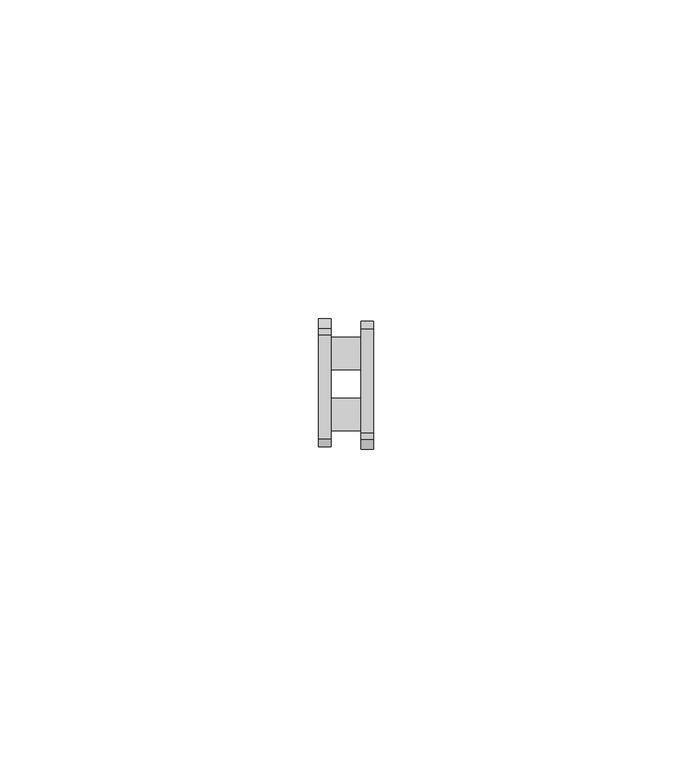
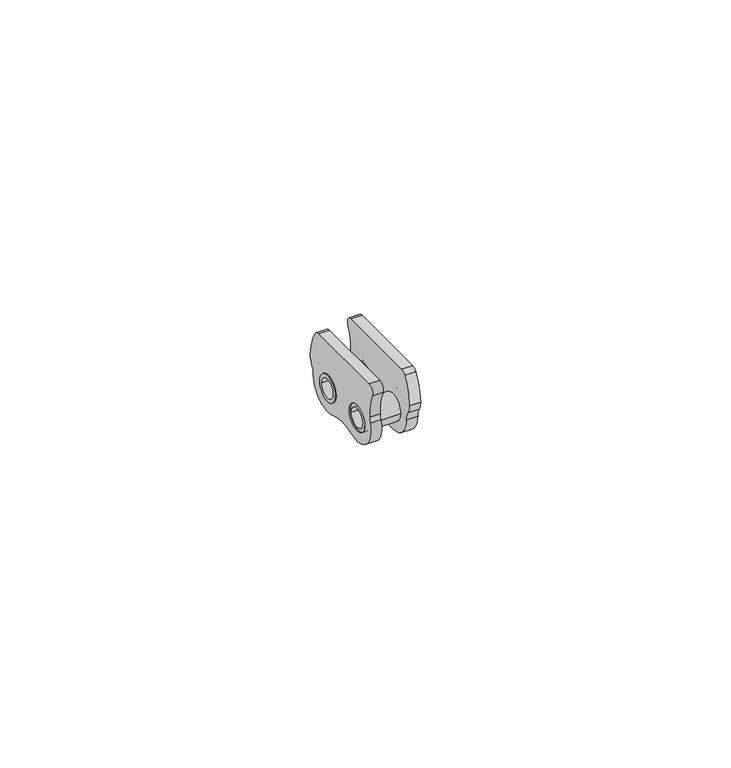
"""IFC4 building model written with IfcOpenShell, lengths in millimetres: proxy geometry."""

import ifcopenshell
import ifcopenshell.guid

model = None  # the IFC model being written
_history = None  # IfcOwnerHistory: only IFC2X3 demands one
_inside = {}  # id of a spatial element -> (the spatial element, [elements in it])
_under = {}  # id of a project, library or spatial element -> (it, [spatial elements below it])
_declared = {}  # id of a project -> (the project, [libraries it declares])
_typed = {}  # id of a type object -> (the type object, [elements of that type])
_made_of = {}  # id of a material, layer set ... -> (it, [elements and type objects made of it])


def new_model(schema):
    """Start an empty IFC model of exactly this schema.

    Asked for "IFC4X3", IfcOpenShell would pick the latest addendum, in which some entities
    have other attributes; the version numbers below select the first issue.
    IFC2X3 requires an IfcOwnerHistory on every rooted entity: one is made here for all.
    """
    global model, _history
    if schema == "IFC4X3":
        model = ifcopenshell.file(schema_version=(4, 3, 0, 0))
    else:
        model = ifcopenshell.file(schema=schema)
    _inside.clear()
    _under.clear()
    _declared.clear()
    _typed.clear()
    _made_of.clear()
    _history = None
    if model.schema == "IFC2X3":
        org = make("IfcOrganization", Name="unknown")
        user = make(
            "IfcPersonAndOrganization",
            ThePerson=make("IfcPerson", FamilyName="unknown"),
            TheOrganization=org,
        )
        app = make(
            "IfcApplication",
            ApplicationDeveloper=org,
            Version="unknown",
            ApplicationFullName="unknown",
            ApplicationIdentifier="unknown",
        )
        _history = make(
            "IfcOwnerHistory",
            OwningUser=user,
            OwningApplication=app,
            ChangeAction="ADDED",
            CreationDate=0,
        )
    return model


def make(cls, **values):
    """One entity of the class cls with the attributes given. An attribute that is None is left unset."""
    return model.create_entity(
        cls, **{name: value for name, value in values.items() if value is not None}
    )


def rooted(cls, **values):
    """An entity with a GlobalId (a new one), such as an element, a storey or a relation."""
    return make(cls, GlobalId=ifcopenshell.guid.new(), OwnerHistory=_history, **values)


def si_unit(unit_type, name, prefix=None):
    """IfcSIUnit, for example si_unit("LENGTHUNIT", "METRE", prefix="MILLI")."""
    return make("IfcSIUnit", UnitType=unit_type, Prefix=prefix, Name=name)


def assignment(units):
    """IfcUnitAssignment: the units of a project."""
    return None if units is None else make("IfcUnitAssignment", Units=units)


def point(xyz):
    """IfcCartesianPoint."""
    return None if xyz is None else make("IfcCartesianPoint", Coordinates=xyz)


def direction(xyz):
    """IfcDirection."""
    return None if xyz is None else make("IfcDirection", DirectionRatios=xyz)


def frame(location, z_axis=None, x_axis=None):
    """IfcAxis2Placement3D, a coordinate frame: its origin and axes. An axis left out is left unset."""
    return make(
        "IfcAxis2Placement3D",
        Location=point(location),
        Axis=direction(z_axis),
        RefDirection=direction(x_axis),
    )


def frame_2d(location, x_axis=None):
    """IfcAxis2Placement2D, a coordinate frame in the plane: its origin and x axis."""
    return make(
        "IfcAxis2Placement2D", Location=point(location), RefDirection=direction(x_axis)
    )


def origin():
    """The frame at (0, 0, 0) with its axes left unset."""
    return frame((0.0, 0.0, 0.0))


def origin_2d():
    """The frame at (0, 0) in the plane with its x axis left unset."""
    return frame_2d((0.0, 0.0))


def place(relative_to, where):
    """IfcLocalPlacement: puts the frame where relative to a parent placement (None: the world)."""
    return make(
        "IfcLocalPlacement", PlacementRelTo=relative_to, RelativePlacement=where
    )


def context(
    kind, dimensions, precision=None, world=None, true_north=None, identifier=None
):
    """IfcGeometricRepresentationContext, for example the 3D "Model" context."""
    return make(
        "IfcGeometricRepresentationContext",
        ContextIdentifier=identifier,
        ContextType=kind,
        CoordinateSpaceDimension=dimensions,
        Precision=precision,
        WorldCoordinateSystem=world,
        TrueNorth=true_north,
    )


def project(units=None, contexts=None):
    """IfcProject with its units and contexts."""
    return rooted(
        "IfcProject",
        Name="project",
        RepresentationContexts=contexts,
        UnitsInContext=assignment(units),
    )


def spatial(cls, under=None, at=None, **own):
    """A site, building, storey or space (cls), placed at a placement, below another one or the project."""
    s = rooted(cls, ObjectPlacement=at, **own)
    if under is not None:
        _under.setdefault(under.id(), (under, []))[1].append(s)
    return s


def polyline(points):
    """IfcPolyline through the points."""
    return make("IfcPolyline", Points=[point(p) for p in points])


def circle_curve(where, radius):
    """IfcCircle in the frame where."""
    return make("IfcCircle", Position=where, Radius=radius)


def trimmed(basis, trim1, trim2, sense, master):
    """IfcTrimmedCurve: the piece of a basis curve between two trims."""
    return make(
        "IfcTrimmedCurve",
        BasisCurve=basis,
        Trim1=trim1,
        Trim2=trim2,
        SenseAgreement=sense,
        MasterRepresentation=master,
    )


def segment(curve, same_sense, transition):
    """IfcCompositeCurveSegment."""
    return make(
        "IfcCompositeCurveSegment",
        Transition=transition,
        SameSense=same_sense,
        ParentCurve=curve,
    )


def composite_curve(segments, self_intersect=None):
    """IfcCompositeCurve: segments joined end to end."""
    return make("IfcCompositeCurve", Segments=segments, SelfIntersect=self_intersect)


def outline(outer, holes=None, kind="AREA"):
    """IfcArbitraryClosedProfileDef: a profile drawn as a closed curve; with holes, ...WithVoids."""
    if holes is None:
        return make("IfcArbitraryClosedProfileDef", ProfileType=kind, OuterCurve=outer)
    return make(
        "IfcArbitraryProfileDefWithVoids",
        ProfileType=kind,
        OuterCurve=outer,
        InnerCurves=holes,
    )


def extrude(swept, where, along, depth):
    """IfcExtrudedAreaSolid: the profile swept, set in the frame where, extruded along a direction by depth."""
    return make(
        "IfcExtrudedAreaSolid",
        SweptArea=swept,
        Position=where,
        ExtrudedDirection=direction(along),
        Depth=depth,
    )


def shape(context_of_items, identifier, shape_type, items):
    """IfcShapeRepresentation: the items that make up one representation, for example the "Body"."""
    return make(
        "IfcShapeRepresentation",
        ContextOfItems=context_of_items,
        RepresentationIdentifier=identifier,
        RepresentationType=shape_type,
        Items=items,
    )


def source(mapping_origin, context_of_items, identifier, shape_type, items):
    """IfcRepresentationMap: a shape defined once, which mapped items show again and again."""
    return make(
        "IfcRepresentationMap",
        MappingOrigin=mapping_origin,
        MappedRepresentation=shape(context_of_items, identifier, shape_type, items),
    )


def transform(
    local_origin,
    x_axis=None,
    y_axis=None,
    z_axis=None,
    scale=None,
    scale2=None,
    scale3=None,
    uniform=True,
):
    """IfcCartesianTransformationOperator3D, or its non-uniform kind. x_axis, y_axis, z_axis: its Axis1, 2, 3."""
    if uniform:
        return make(
            "IfcCartesianTransformationOperator3D",
            Axis1=direction(x_axis),
            Axis2=direction(y_axis),
            LocalOrigin=point(local_origin),
            Scale=scale,
            Axis3=direction(z_axis),
        )
    return make(
        "IfcCartesianTransformationOperator3DnonUniform",
        Axis1=direction(x_axis),
        Axis2=direction(y_axis),
        LocalOrigin=point(local_origin),
        Scale=scale,
        Axis3=direction(z_axis),
        Scale2=scale2,
        Scale3=scale3,
    )


def mapped(mapping_source, mapping_target):
    """IfcMappedItem: shows the shape of a source again, moved by a transform."""
    return make(
        "IfcMappedItem", MappingSource=mapping_source, MappingTarget=mapping_target
    )


def made_of(thing, what):
    """Note that an element or type object is made of a material, layer set ...; save() writes the relation."""
    if what is not None:
        _made_of.setdefault(what.id(), (what, []))[1].append(thing)
    return thing


def element(
    cls,
    number,
    at=None,
    inside=None,
    cuts=None,
    type_object=None,
    material=None,
    context=None,
    identifier="Body",
    shape_type=None,
    held_by="IfcProductDefinitionShape",
    body=None,
    shapes=None,
    **own,
):
    """One element of the class cls, such as IfcWall. Its Tag is "e" and its number.

    at: its placement. inside: the storey or other place that contains it. cuts: it is an
    opening in that element (IfcRelVoidsElement). A single representation is given by context,
    identifier, shape_type and body (its items); several are given by shapes. held_by: the class
    of the entity that holds the representations. save() writes the other relations.
    """
    e = rooted(cls, Tag="e%d" % number, ObjectPlacement=at, **own)
    if body is not None:
        shapes = [shape(context, identifier, shape_type, body)]
    if shapes is not None:
        e.Representation = make(held_by, Representations=shapes)
    if inside is not None:
        _inside.setdefault(inside.id(), (inside, []))[1].append(e)
    if cuts is not None:
        rooted(
            "IfcRelVoidsElement", RelatingBuildingElement=cuts, RelatedOpeningElement=e
        )
    if type_object is not None:
        _typed.setdefault(type_object.id(), (type_object, []))[1].append(e)
    return made_of(e, material)


def aggregate(whole, parts):
    """IfcRelAggregates: a whole, such as a stair, and the parts it consists of."""
    return rooted("IfcRelAggregates", RelatingObject=whole, RelatedObjects=parts)


def save(model, path):
    """Write the relations noted so far, then the file.

    IfcRelAggregates (storeys below a building ...), IfcRelContainedInSpatialStructure (elements
    in a storey), IfcRelDefinesByType, IfcRelAssociatesMaterial and IfcRelDeclares: one each for
    every whole, place, type object, material and project.
    """
    for whole, parts in _under.values():
        aggregate(whole, parts)
    for where, things in _inside.values():
        rooted(
            "IfcRelContainedInSpatialStructure",
            RelatedElements=things,
            RelatingStructure=where,
        )
    for kind, things in _typed.values():
        rooted("IfcRelDefinesByType", RelatedObjects=things, RelatingType=kind)
    for what, things in _made_of.values():
        rooted("IfcRelAssociatesMaterial", RelatedObjects=things, RelatingMaterial=what)
    for by, libraries in _declared.values():
        rooted("IfcRelDeclares", RelatingContext=by, RelatedDefinitions=libraries)
    model.write(path)


def plane_surface(at):
    """IfcPlane: the flat surface through the origin of the frame at, square to its z axis."""
    return make("IfcPlane", Position=at)


def cylinder_surface(at, radius):
    """IfcCylindricalSurface: all points at the distance radius from the z axis of the frame at."""
    return make("IfcCylindricalSurface", Position=at, Radius=radius)


def revolved_surface(curve, axis_point, axis_direction):
    """IfcSurfaceOfRevolution: the curve turned about the line through axis_point along axis_direction."""
    return make(
        "IfcSurfaceOfRevolution",
        SweptCurve=make("IfcArbitraryOpenProfileDef", ProfileType="CURVE", Curve=curve),
        AxisPosition=make("IfcAxis1Placement", Location=point(axis_point), Axis=direction(axis_direction)),
    )


def advanced_brep(points, edges, surfaces, faces):
    """IfcAdvancedBrep: a solid bounded by faces that lie on surfaces and meet in shared edges.

    An edge is (start, end): straight between two places in points (the first is 0);
    or (start, end, curve); or (start, end, curve, False) where it runs against its curve.
    A face is (place in surfaces, loops), or (place, loops, False) where it looks against
    its surface's normal. A loop lists edges by number (the first is 1), with a minus sign
    where the edge is run from its end to its start. The first loop is the outer one.
    """
    corners = [point(p) for p in points]
    vertices = [make("IfcVertexPoint", VertexGeometry=c) for c in corners]
    made = []
    for start, end, *more in edges:
        made.append(
            make(
                "IfcEdgeCurve",
                EdgeStart=vertices[start],
                EdgeEnd=vertices[end],
                EdgeGeometry=more[0] if more else make("IfcPolyline", Points=[corners[start], corners[end]]),
                SameSense=more[1] if len(more) > 1 else True,
            )
        )
    hull = []
    for where, loops, *sense in faces:
        bounds = []
        for j, loop in enumerate(loops):
            ring = [make("IfcOrientedEdge", EdgeElement=made[abs(k) - 1], Orientation=k > 0) for k in loop]
            bounds.append(
                make(
                    "IfcFaceOuterBound" if j == 0 else "IfcFaceBound",
                    Bound=make("IfcEdgeLoop", EdgeList=ring),
                    Orientation=True,
                )
            )
        hull.append(make("IfcAdvancedFace", Bounds=bounds, FaceSurface=surfaces[where], SameSense=sense[0] if sense else True))
    return make("IfcAdvancedBrep", Outer=make("IfcClosedShell", CfsFaces=hull))


def generic_models_1daeebba(model_context):
    return source(origin(), model_context, "Body", "SolidModel", [
        extrude(outline(composite_curve([segment(trimmed(circle_curve(frame_2d((9.525, 0.0)), 2.54), [point((6.985, 0.0))], [point((12.065, 0.0))], False, "CARTESIAN"), True, "CONTINUOUS"), segment(trimmed(circle_curve(frame_2d((9.525, 0.0)), 2.54), [point((12.065, 0.0))], [point((6.985, 0.0))], False, "CARTESIAN"), True, "CONTINUOUS")], self_intersect=False), holes=[composite_curve([segment(trimmed(circle_curve(frame_2d((9.525, 0.0)), 1.8), [point((11.325, 0.0))], [point((7.725, 0.0))], True, "CARTESIAN"), True, "CONTINUOUS"), segment(trimmed(circle_curve(frame_2d((9.525, 0.0)), 1.8), [point((7.725, 0.0))], [point((11.325, 0.0))], True, "CARTESIAN"), True, "CONTINUOUS")], self_intersect=False)]), frame((-4.335, 0.0, 0.0), z_axis=(1.0, 0.0, 0.0), x_axis=(0.0, 1.0, 0.0)), (0.0, 0.0, 1.0), 8.67),
        advanced_brep(
        [(-4.335, 2.5, 0.0), (-2.335, 2.5, 0.0), (-2.335, -2.5, 0.0), (-4.335, -2.5, 0.0), (-4.335, 12.025, 0.0), (-2.335, 12.025, 0.0), (-2.335, 7.025, 0.0), (-4.335, 7.025, 0.0), (-4.335, 12.0054865, 0.3117476), (-4.335, 14.5233959, 1.6559512), (-4.335, 14.025, 0.0), (-4.335, 8.0469828, -4.2503488), (-4.335, 1.4780172, -4.2503488), (-4.335, -4.2531196, 1.470025), (-4.335, -4.0395552, 2.5606561), (-4.335, -4.948107, 7.2964286), (-4.335, -3.8588798, 9.0), (-4.335, 12.4647581, 9.0), (-4.335, 13.4792705, 8.4409091), (-4.335, 15.0204168, 3.4027264), (-2.335, 8.0469828, -4.2503488), (-2.335, 1.4780172, -4.2503488), (-2.335, 14.5233959, 1.6559512), (-2.335, 14.025, 0.0), (-2.335, -4.2531196, 1.470025), (-2.335, 15.0204168, 3.4027264), (-2.335, 13.4792705, 8.4409091), (-2.335, -4.0395552, 2.5606561), (-2.335, -4.948107, 7.2964286), (-2.335, 12.4647581, 9.0), (-2.335, -3.8588798, 9.0)],
        [
            (0, 1),
            (1, 2, circle_curve(frame((-2.335, 0.0, 0.0), z_axis=(1.0, 0.0, 0.0), x_axis=(0.0, 1.0, 0.0)), 2.5)),
            (2, 3),
            (3, 0, circle_curve(frame((-4.335, 0.0, 0.0), z_axis=(-1.0, 0.0, 0.0), x_axis=(0.0, 1.0, 0.0)), 2.5)),
            (4, 5),
            (5, 6, circle_curve(frame((-2.335, 9.525, 0.0), z_axis=(1.0, 0.0, 0.0), x_axis=(0.0, 1.0, 0.0)), 2.5)),
            (6, 7),
            (7, 8, circle_curve(frame((-4.335, 9.525, 0.0), z_axis=(-1.0, 0.0, 0.0), x_axis=(0.0, 1.0, 0.0)), 2.5)),
            (8, 4, circle_curve(frame((-4.335, 9.525, 0.0), z_axis=(-1.0, 0.0, 0.0), x_axis=(0.0, 1.0, 0.0)), 2.5)),
            (9, 10, circle_curve(frame((-4.335, 17.0251981, 0.0), z_axis=(1.0, 0.0, 0.0), x_axis=(0.0, 1.0, 0.0)), 3.0001981)),
            (10, 11, circle_curve(frame((-4.335, 9.525, 0.0), z_axis=(-1.0, 0.0, 0.0), x_axis=(0.0, 1.0, 0.0)), 4.5)),
            (11, 12, circle_curve(frame((-4.335, 4.7625, -13.6955684), z_axis=(1.0, 0.0, 0.0), x_axis=(0.0, 0.3284482758620694, -0.9445219584971193)), 10.0)),
            (12, 13, circle_curve(frame((-4.335, 0.0, 0.0), z_axis=(-1.0, 0.0, 0.0), x_axis=(0.0, 0.32844827586206915, -0.9445219584971195)), 4.5)),
            (13, 14, circle_curve(frame((-4.335, -8.0325608, 2.7763303), z_axis=(1.0, 0.0, 0.0), x_axis=(0.0, -0.9985444813507156, 0.05393439314602933)), 3.998826)),
            (14, 15, circle_curve(frame((-4.335, -14.025, 3.1), z_axis=(1.0, 0.0, 0.0), x_axis=(0.0, -0.9076893039190115, -0.41964285714285743)), 10.0)),
            (15, 16, circle_curve(frame((-4.335, -3.8588798, 7.8), z_axis=(-1.0, 0.0, 0.0), x_axis=(0.0, -0.9076893039190114, -0.41964285714285754)), 1.2)),
            (16, 17),
            (17, 18, circle_curve(frame((-4.335, 12.4647581, 7.8), z_axis=(-1.0, 0.0, 0.0), x_axis=(0.0, 0.0, 1.0)), 1.2)),
            (18, 19, circle_curve(frame((-4.335, 5.025, 3.1), z_axis=(-1.0, 0.0, 0.0), x_axis=(0.0, 0.8454270523389028, 0.5340909090909095)), 10.0)),
            (19, 9, circle_curve(frame((-4.335, 12.0215938, 3.3119025), z_axis=(-1.0, 0.0, 0.0), x_axis=(0.0, 0.9995416787362873, 0.03027263564747111)), 3.0001981)),
            (7, 4, circle_curve(frame((-4.335, 9.525, 0.0), z_axis=(1.0, 0.0, 0.0), x_axis=(0.0, 1.0, 0.0)), 2.5)),
            (3, 0, circle_curve(frame((-4.335, 0.0, 0.0), z_axis=(1.0, 0.0, 0.0), x_axis=(0.0, 1.0, 0.0)), 2.5)),
            (11, 20),
            (20, 21, circle_curve(frame((-2.335, 4.7625, -13.6955684), z_axis=(1.0, 0.0, 0.0), x_axis=(0.0, 0.3284482758620694, -0.9445219584971193)), 10.0)),
            (21, 12),
            (9, 22),
            (22, 23, circle_curve(frame((-2.335, 17.0251981, 0.0), z_axis=(1.0, 0.0, 0.0), x_axis=(0.0, 1.0, 0.0)), 3.0001981)),
            (23, 10),
            (21, 24, circle_curve(frame((-2.335, 0.0, 0.0), z_axis=(-1.0, 0.0, 0.0), x_axis=(0.0, 0.32844827586206915, -0.9445219584971195)), 4.5)),
            (24, 13),
            (19, 25),
            (25, 22, circle_curve(frame((-2.335, 12.0215938, 3.3119025), z_axis=(-1.0, 0.0, 0.0), x_axis=(0.0, 0.9995416787362873, 0.03027263564747111)), 3.0001981)),
            (18, 26),
            (26, 25, circle_curve(frame((-2.335, 5.025, 3.1), z_axis=(-1.0, 0.0, 0.0), x_axis=(0.0, 0.8454270523389028, 0.5340909090909095)), 10.0)),
            (23, 20, circle_curve(frame((-2.335, 9.525, 0.0), z_axis=(-1.0, 0.0, 0.0), x_axis=(0.0, 1.0, 0.0)), 4.5)),
            (14, 27),
            (27, 28, circle_curve(frame((-2.335, -14.025, 3.1), z_axis=(1.0, 0.0, 0.0), x_axis=(0.0, -0.9076893039190115, -0.41964285714285743)), 10.0)),
            (28, 15),
            (17, 29),
            (29, 26, circle_curve(frame((-2.335, 12.4647581, 7.8), z_axis=(-1.0, 0.0, 0.0), x_axis=(0.0, 0.0, 1.0)), 1.2)),
            (16, 30),
            (30, 29),
            (28, 30, circle_curve(frame((-2.335, -3.8588798, 7.8), z_axis=(-1.0, 0.0, 0.0), x_axis=(0.0, -0.9076893039190114, -0.41964285714285754)), 1.2)),
            (24, 27, circle_curve(frame((-2.335, -8.0325608, 2.7763303), z_axis=(1.0, 0.0, 0.0), x_axis=(0.0, -0.9985444813507156, 0.05393439314602933)), 3.998826)),
            (1, 2, circle_curve(frame((-2.335, 0.0, 0.0), z_axis=(-1.0, 0.0, 0.0), x_axis=(0.0, 1.0, 0.0)), 2.5)),
            (5, 6, circle_curve(frame((-2.335, 9.525, 0.0), z_axis=(-1.0, 0.0, 0.0), x_axis=(0.0, 1.0, 0.0)), 2.5)),
        ],
        [
            revolved_surface(polyline([(-4.335, 2.5, 0.0), (-2.335, 2.5, 0.0)]), (-2.335, 0.0, 0.0), (-1.0, 0.0, 0.0)),
            revolved_surface(polyline([(-4.335, 12.025, 0.0), (-2.335, 12.025, 0.0)]), (-2.335, 9.525, 0.0), (-1.0, 0.0, 0.0)),
            plane_surface(frame((-4.335, 4.981456, 2.25), z_axis=(-1.0, 0.0, 0.0), x_axis=(0.0, 1.0, 0.0))),
            revolved_surface(polyline([(-4.335, 8.046982758620695, -23.140787984971194), (-2.335, 8.046982758620695, -23.140787984971194)]), (-2.335, 4.7625, -13.6955684), (-1.0, 0.0, 0.0)),
            revolved_surface(polyline([(-4.335, 20.0253962, 0.0), (-2.335, 20.0253962, 0.0)]), (-2.335, 17.0251981, 0.0), (-1.0, 0.0, 0.0)),
            cylinder_surface(frame((-2.335, 0.0, 0.0), z_axis=(-1.0000000000000002, 0.0, 0.0), x_axis=(0.0, 0.32844827586206915, -0.9445219584971195)), 4.5),
            cylinder_surface(frame((-2.335, 12.0215938, 3.3119025), z_axis=(-0.9999999999999999, 0.0, 0.0), x_axis=(0.0, 0.9995416787362873, 0.03027263564747111)), 3.0001981),
            cylinder_surface(frame((-2.335, 5.025, 3.1), z_axis=(-1.0, 0.0, 0.0), x_axis=(0.0, 0.8454270523389028, 0.5340909090909095)), 10.0),
            cylinder_surface(frame((-2.335, 9.525, 0.0), z_axis=(-1.0, 0.0, 0.0), x_axis=(0.0, 1.0, 0.0)), 4.5),
            revolved_surface(polyline([(-4.335000000000001, -23.101893039190116, -1.0964285714285746), (-2.335, -23.101893039190116, -1.0964285714285746)]), (-2.335, -14.025, 3.1), (-1.0000000000000002, 0.0, 0.0)),
            cylinder_surface(frame((-2.335, 12.4647581, 7.8), z_axis=(-1.0, 0.0, 0.0), x_axis=(0.0, 0.0, 1.0)), 1.2),
            plane_surface(frame((-2.335, 4.7625, 9.0), z_axis=(0.0, 0.0, 1.0), x_axis=(-1.0, 0.0, 0.0))),
            cylinder_surface(frame((-2.335, -3.8588798, 7.8), z_axis=(-1.0, 0.0, 0.0), x_axis=(0.0, -0.9076893039190114, -0.41964285714285754)), 1.2),
            revolved_surface(polyline([(-4.335000000000001, -12.025566434181759, 2.992004553606564), (-2.335, -12.025566434181759, 2.992004553606564)]), (-2.335, -8.0325608, 2.7763303), (-1.0000000000000002, 0.0, 0.0)),
            plane_surface(frame((-2.335, 4.7504355, 2.7429635), z_axis=(1.0, 0.0, 0.0), x_axis=(0.0, -1.0, 0.0))),
        ],
        [
            (0, [[1, 2, 3, 4]]),
            (1, [[5, 6, 7, 8, 9]]),
            (2, [[10, 11, 12, 13, 14, 15, 16, 17, 18, 19, 20], [-8, 21, -9], [22, -4]]),
            (3, [[-12, 23, 24, 25]]),
            (4, [[-10, 26, 27, 28]]),
            (5, [[-13, -25, 29, 30]]),
            (6, [[-20, 31, 32, -26]]),
            (7, [[-19, 33, 34, -31]]),
            (8, [[-11, -28, 35, -23]]),
            (9, [[-15, 36, 37, 38]]),
            (10, [[-18, 39, 40, -33]]),
            (11, [[-17, 41, 42, -39]]),
            (12, [[-16, -38, 43, -41]]),
            (13, [[-14, -30, 44, -36]]),
            (14, [[-29, -24, -35, -27, -32, -34, -40, -42, -43, -37, -44], [-2, 45], [-6, 46]]),
            (1, [[-5, -21, -7, -46]]),
            (0, [[-1, -22, -3, -45]]),
        ],
    ),
        advanced_brep(
        [(4.335, 7.025, 0.0), (2.335, 7.025, 0.0), (2.335, 12.025, 0.0), (4.335, 12.025, 0.0), (4.335, -2.5, 0.0), (2.335, -2.5, 0.0), (2.335, 2.5, 0.0), (4.335, 2.5, 0.0), (4.335, -2.4804865, 0.3117476), (4.335, -4.9983959, 1.6559512), (4.335, -4.5, 0.0), (4.335, 1.4780172, -4.2503488), (4.335, 8.0469828, -4.2503488), (4.335, 13.7781196, 1.470025), (4.335, 13.5645552, 2.5606561), (4.335, 14.473107, 7.2964286), (4.335, 13.3838798, 9.0), (4.335, -2.9397581, 9.0), (4.335, -3.9542705, 8.4409091), (4.335, -5.4954168, 3.4027264), (2.335, 1.4780172, -4.2503488), (2.335, 8.0469828, -4.2503488), (2.335, -4.9983959, 1.6559512), (2.335, -4.5, 0.0), (2.335, 13.7781196, 1.470025), (2.335, -5.4954168, 3.4027264), (2.335, -3.9542705, 8.4409091), (2.335, 13.5645552, 2.5606561), (2.335, 14.473107, 7.2964286), (2.335, -2.9397581, 9.0), (2.335, 13.3838798, 9.0)],
        [
            (0, 1),
            (1, 2, circle_curve(frame((2.335, 9.525, 0.0), z_axis=(-1.0, 0.0, 0.0), x_axis=(0.0, -1.0, 0.0)), 2.5)),
            (2, 3),
            (3, 0, circle_curve(frame((4.335, 9.525, 0.0), z_axis=(1.0, 0.0, 0.0), x_axis=(0.0, -1.0, 0.0)), 2.5)),
            (4, 5),
            (5, 6, circle_curve(frame((2.335, 0.0, 0.0), z_axis=(-1.0, 0.0, 0.0), x_axis=(0.0, -1.0, 0.0)), 2.5)),
            (6, 7),
            (7, 8, circle_curve(frame((4.335, 0.0, 0.0), z_axis=(1.0, 0.0, 0.0), x_axis=(0.0, -1.0, 0.0)), 2.5)),
            (8, 4, circle_curve(frame((4.335, 0.0, 0.0), z_axis=(1.0, 0.0, 0.0), x_axis=(0.0, -1.0, 0.0)), 2.5)),
            (9, 10, circle_curve(frame((4.335, -7.5001981, 0.0), z_axis=(-1.0, 0.0, 0.0), x_axis=(0.0, -1.0, 0.0)), 3.0001981)),
            (10, 11, circle_curve(frame((4.335, 0.0, 0.0), z_axis=(1.0, 0.0, 0.0), x_axis=(0.0, -1.0, 0.0)), 4.5)),
            (11, 12, circle_curve(frame((4.335, 4.7625, -13.6955684), z_axis=(-1.0, 0.0, 0.0), x_axis=(0.0, -0.3284482758620692, -0.9445219584971194)), 10.0)),
            (12, 13, circle_curve(frame((4.335, 9.525, 0.0), z_axis=(1.0, 0.0, 0.0), x_axis=(0.0, -0.32844827586206893, -0.9445219584971196)), 4.5)),
            (13, 14, circle_curve(frame((4.335, 17.5575608, 2.7763303), z_axis=(-1.0, 0.0, 0.0), x_axis=(0.0, 0.9985444813507156, 0.05393439314602955)), 3.998826)),
            (14, 15, circle_curve(frame((4.335, 23.55, 3.1), z_axis=(-1.0, 0.0, 0.0), x_axis=(0.0, 0.9076893039190116, -0.41964285714285726)), 10.0)),
            (15, 16, circle_curve(frame((4.335, 13.3838798, 7.8), z_axis=(1.0, 0.0, 0.0), x_axis=(0.0, 0.9076893039190115, -0.4196428571428574)), 1.2)),
            (16, 17),
            (17, 18, circle_curve(frame((4.335, -2.9397581, 7.8), z_axis=(1.0, 0.0, 0.0), x_axis=(0.0, 0.0, 1.0)), 1.2)),
            (18, 19, circle_curve(frame((4.335, 4.5, 3.1), z_axis=(1.0, 0.0, 0.0), x_axis=(0.0, -0.8454270523389029, 0.5340909090909093)), 10.0)),
            (19, 9, circle_curve(frame((4.335, -2.4965938, 3.3119025), z_axis=(1.0, 0.0, 0.0), x_axis=(0.0, -0.9995416787362873, 0.0302726356474709)), 3.0001981)),
            (7, 4, circle_curve(frame((4.335, 0.0, 0.0), z_axis=(-1.0, 0.0, 0.0), x_axis=(0.0, -1.0, 0.0)), 2.5)),
            (3, 0, circle_curve(frame((4.335, 9.525, 0.0), z_axis=(-1.0, 0.0, 0.0), x_axis=(0.0, -1.0, 0.0)), 2.5)),
            (11, 20),
            (20, 21, circle_curve(frame((2.335, 4.7625, -13.6955684), z_axis=(-1.0, 0.0, 0.0), x_axis=(0.0, -0.3284482758620692, -0.9445219584971194)), 10.0)),
            (21, 12),
            (9, 22),
            (22, 23, circle_curve(frame((2.335, -7.5001981, 0.0), z_axis=(-1.0, 0.0, 0.0), x_axis=(0.0, -1.0, 0.0)), 3.0001981)),
            (23, 10),
            (21, 24, circle_curve(frame((2.335, 9.525, 0.0), z_axis=(1.0, 0.0, 0.0), x_axis=(0.0, -0.32844827586206893, -0.9445219584971196)), 4.5)),
            (24, 13),
            (19, 25),
            (25, 22, circle_curve(frame((2.335, -2.4965938, 3.3119025), z_axis=(1.0, 0.0, 0.0), x_axis=(0.0, -0.9995416787362873, 0.0302726356474709)), 3.0001981)),
            (18, 26),
            (26, 25, circle_curve(frame((2.335, 4.5, 3.1), z_axis=(1.0, 0.0, 0.0), x_axis=(0.0, -0.8454270523389029, 0.5340909090909093)), 10.0)),
            (23, 20, circle_curve(frame((2.335, 0.0, 0.0), z_axis=(1.0, 0.0, 0.0), x_axis=(0.0, -1.0, 0.0)), 4.5)),
            (14, 27),
            (27, 28, circle_curve(frame((2.335, 23.55, 3.1), z_axis=(-1.0, 0.0, 0.0), x_axis=(0.0, 0.9076893039190116, -0.41964285714285726)), 10.0)),
            (28, 15),
            (17, 29),
            (29, 26, circle_curve(frame((2.335, -2.9397581, 7.8), z_axis=(1.0, 0.0, 0.0), x_axis=(0.0, 0.0, 1.0)), 1.2)),
            (16, 30),
            (30, 29),
            (28, 30, circle_curve(frame((2.335, 13.3838798, 7.8), z_axis=(1.0, 0.0, 0.0), x_axis=(0.0, 0.9076893039190115, -0.4196428571428574)), 1.2)),
            (24, 27, circle_curve(frame((2.335, 17.5575608, 2.7763303), z_axis=(-1.0, 0.0, 0.0), x_axis=(0.0, 0.9985444813507156, 0.05393439314602955)), 3.998826)),
            (1, 2, circle_curve(frame((2.335, 9.525, 0.0), z_axis=(1.0, 0.0, 0.0), x_axis=(0.0, -1.0, 0.0)), 2.5)),
            (5, 6, circle_curve(frame((2.335, 0.0, 0.0), z_axis=(1.0, 0.0, 0.0), x_axis=(0.0, -1.0, 0.0)), 2.5)),
        ],
        [
            revolved_surface(polyline([(4.335, 7.025, 0.0), (2.335, 7.025, 0.0)]), (2.335, 9.525, 0.0), (1.0, 0.0, 0.0)),
            revolved_surface(polyline([(4.335, -2.5, 0.0), (2.335, -2.5, 0.0)]), (2.335, 0.0, 0.0), (1.0, 0.0, 0.0)),
            plane_surface(frame((4.335, 4.543544, 2.25), z_axis=(1.0, 0.0, 0.0), x_axis=(0.0, -1.0, 0.0))),
            revolved_surface(polyline([(4.335, 1.478017241379308, -23.140787984971197), (2.335, 1.478017241379308, -23.140787984971197)]), (2.335, 4.7625, -13.6955684), (1.0, 0.0, 0.0)),
            revolved_surface(polyline([(4.335, -10.5003962, 0.0), (2.335, -10.5003962, 0.0)]), (2.335, -7.5001981, 0.0), (1.0, 0.0, 0.0)),
            cylinder_surface(frame((2.335, 9.525, 0.0), z_axis=(1.0000000000000002, 0.0, 0.0), x_axis=(0.0, -0.32844827586206893, -0.9445219584971196)), 4.5),
            cylinder_surface(frame((2.335, -2.4965938, 3.3119025), z_axis=(0.9999999999999999, 0.0, 0.0), x_axis=(0.0, -0.9995416787362873, 0.0302726356474709)), 3.0001981),
            cylinder_surface(frame((2.335, 4.5, 3.1), z_axis=(1.0, 0.0, 0.0), x_axis=(0.0, -0.8454270523389029, 0.5340909090909093)), 10.0),
            cylinder_surface(frame((2.335, 0.0, 0.0), z_axis=(1.0, 0.0, 0.0), x_axis=(0.0, -1.0, 0.0)), 4.5),
            revolved_surface(polyline([(4.335000000000001, 32.626893039190115, -1.0964285714285729), (2.335, 32.626893039190115, -1.0964285714285729)]), (2.335, 23.55, 3.1), (1.0000000000000002, 0.0, 0.0)),
            cylinder_surface(frame((2.335, -2.9397581, 7.8), z_axis=(1.0, 0.0, 0.0), x_axis=(0.0, 0.0, 1.0)), 1.2),
            plane_surface(frame((2.335, 4.7625, 9.0), z_axis=(0.0, 0.0, 1.0), x_axis=(1.0, 0.0, 0.0))),
            cylinder_surface(frame((2.335, 13.3838798, 7.8), z_axis=(1.0, 0.0, 0.0), x_axis=(0.0, 0.9076893039190115, -0.4196428571428574)), 1.2),
            revolved_surface(polyline([(4.335000000000001, 21.550566434181757, 2.9920045536065647), (2.335, 21.550566434181757, 2.9920045536065647)]), (2.335, 17.5575608, 2.7763303), (1.0000000000000002, 0.0, 0.0)),
            plane_surface(frame((2.335, 4.7745645, 2.7429635), z_axis=(-1.0, 0.0, 0.0), x_axis=(0.0, 1.0, 0.0))),
        ],
        [
            (0, [[1, 2, 3, 4]]),
            (1, [[5, 6, 7, 8, 9]]),
            (2, [[10, 11, 12, 13, 14, 15, 16, 17, 18, 19, 20], [-8, 21, -9], [22, -4]]),
            (3, [[-12, 23, 24, 25]]),
            (4, [[-10, 26, 27, 28]]),
            (5, [[-13, -25, 29, 30]]),
            (6, [[-20, 31, 32, -26]]),
            (7, [[-19, 33, 34, -31]]),
            (8, [[-11, -28, 35, -23]]),
            (9, [[-15, 36, 37, 38]]),
            (10, [[-18, 39, 40, -33]]),
            (11, [[-17, 41, 42, -39]]),
            (12, [[-16, -38, 43, -41]]),
            (13, [[-14, -30, 44, -36]]),
            (14, [[-29, -24, -35, -27, -32, -34, -40, -42, -43, -37, -44], [-2, 45], [-6, 46]]),
            (1, [[-5, -21, -7, -46]]),
            (0, [[-1, -22, -3, -45]]),
        ],
    ),
        extrude(outline(composite_curve([segment(trimmed(circle_curve(origin_2d(), 2.54), [point((-2.54, 0.0))], [point((2.54, 0.0))], False, "CARTESIAN"), True, "CONTINUOUS"), segment(trimmed(circle_curve(origin_2d(), 2.54), [point((2.54, 0.0))], [point((-2.54, 0.0))], False, "CARTESIAN"), True, "CONTINUOUS")], self_intersect=False), holes=[composite_curve([segment(trimmed(circle_curve(origin_2d(), 1.8), [point((1.8, 0.0))], [point((-1.8, 0.0))], True, "CARTESIAN"), True, "CONTINUOUS"), segment(trimmed(circle_curve(origin_2d(), 1.8), [point((-1.8, 0.0))], [point((1.8, 0.0))], True, "CARTESIAN"), True, "CONTINUOUS")], self_intersect=False)]), frame((-4.335, 0.0, 0.0), z_axis=(1.0, 0.0, 0.0), x_axis=(0.0, 1.0, 0.0)), (0.0, 0.0, 1.0), 8.67),
    ])


if __name__ == "__main__":
    model = new_model("IFC4")
    model_context = context("Model", 3, world=origin())
    ifc_project = project(units=[si_unit("LENGTHUNIT", "METRE", prefix="MILLI")], contexts=[model_context])
    site = spatial("IfcSite", under=ifc_project)
    building = spatial("IfcBuilding", under=site)
    placement = place(None, origin())
    generic_models_shape = generic_models_1daeebba(model_context)
    element("IfcBuildingElementProxy", 1, Name="Generic Models", at=placement, inside=building, context=model_context, shape_type="MappedRepresentation", body=[
        mapped(generic_models_shape, transform((0.0, 0.0, 0.0), x_axis=(1.0, 0.0, 0.0), y_axis=(0.0, 1.0, 0.0), z_axis=(0.0, 0.0, 1.0))),
    ])
    save(model, "model.ifc")
